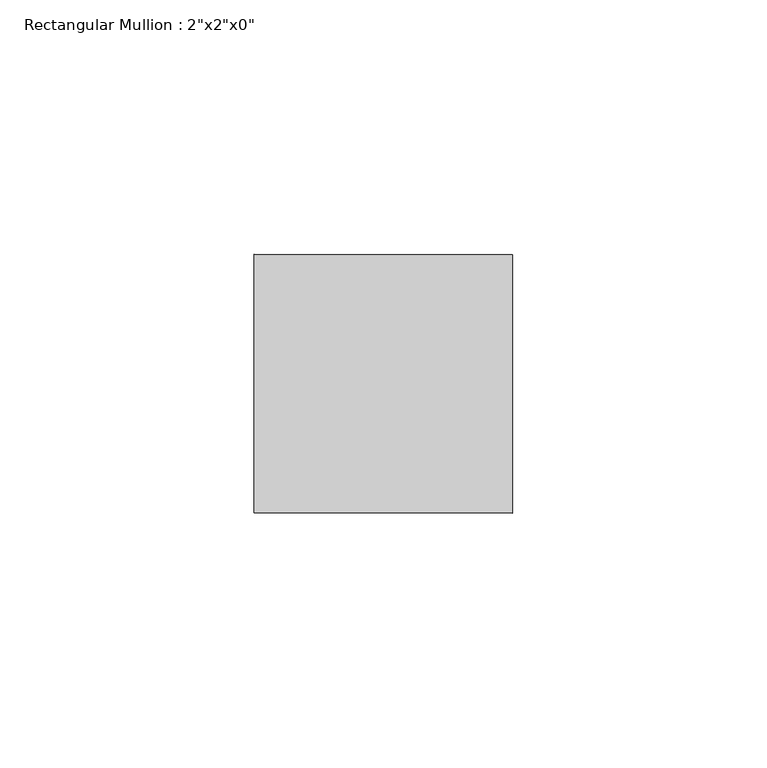
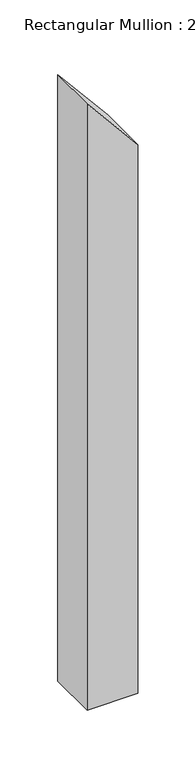
"""IFC4 building model written with IfcOpenShell, lengths in millimetres: member geometry."""

from ifc_helpers import new_model, si_unit, frame, origin, place, context, project, spatial, polyline, outline, extrude, source, transform, mapped, element, save


def member_255403a1(model_context):
    return source(origin(), model_context, "Body", "SweptSolid", [
        extrude(outline(polyline([(-70.2391876, 25.4), (-9.185186, -25.4), (-650.8700599, -25.4), (-650.8700599, 25.4), (-70.2391876, 25.4)])), frame((0.0, -25.4, 0.0), z_axis=(0.0, 1.0, 0.0), x_axis=(0.0, 0.0, 1.0)), (0.0, 0.0, 1.0), 50.8),
    ])


if __name__ == "__main__":
    model = new_model("IFC4")
    model_context = context("Model", 3, world=origin())
    ifc_project = project(units=[si_unit("LENGTHUNIT", "METRE", prefix="MILLI")], contexts=[model_context])
    site = spatial("IfcSite", under=ifc_project)
    building = spatial("IfcBuilding", under=site)
    placement = place(None, origin())
    member_shape = member_255403a1(model_context)
    element("IfcMember", 1, ObjectType="Rectangular Mullion : 2\"x2\"x0\"", at=placement, inside=building, context=model_context, shape_type="MappedRepresentation", body=[
        mapped(member_shape, transform((0.0, 0.0, 0.0), x_axis=(1.0, 0.0, 0.0), y_axis=(0.0, 1.0, 0.0), z_axis=(0.0, 0.0, 1.0))),
    ])
    save(model, "model.ifc")
